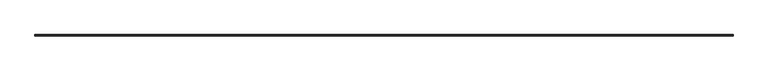
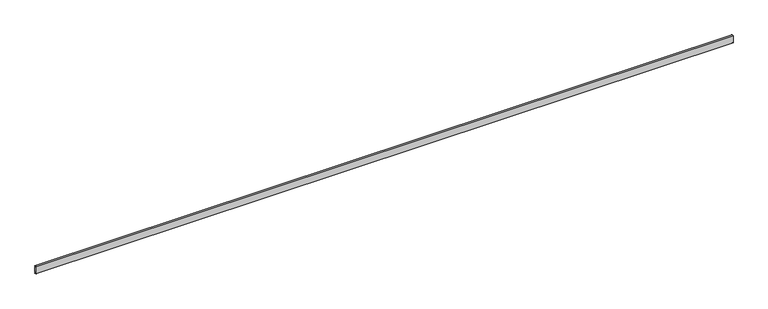
"""IFC4 building model written with IfcOpenShell, lengths in millimetres: railing geometry."""

from ifc_helpers import new_model, si_unit, point, frame, frame_2d, origin, place, context, project, spatial, polyline, circle_curve, trimmed, segment, composite_curve, outline, extrude, source, transform, mapped, element, save


def railing_19802378(model_context):
    return source(origin(), model_context, "Body", "SweptSolid", [
        extrude(outline(composite_curve([segment(polyline([(58288.1127441, 551.793805), (58278.5766023, 549.7), (58278.5766023, 530.7), (58287.102514, 526.8633397)]), True, "CONTINUOUS"), segment(trimmed(circle_curve(frame_2d((58286.0766023, 524.583536)), 2.5), [point((58287.102514, 526.8633397))], [point((58288.5766023, 524.583536))], False, "CARTESIAN"), True, "CONTINUOUS"), segment(polyline([(58288.5766023, 524.583536), (58288.5766023, 517.7)]), True, "CONTINUOUS"), segment(trimmed(circle_curve(frame_2d((58286.0766023, 517.7)), 2.5), [point((58288.5766023, 517.7))], [point((58286.0766023, 515.2))], False, "CARTESIAN"), True, "CONTINUOUS"), segment(polyline([(58286.0766023, 515.2), (58259.0766023, 515.2)]), True, "CONTINUOUS"), segment(trimmed(circle_curve(frame_2d((58259.0766023, 515.7)), 0.5), [point((58259.0766023, 515.2))], [point((58258.5766023, 515.7))], False, "CARTESIAN"), True, "CONTINUOUS"), segment(polyline([(58258.5766023, 515.7), (58258.5766023, 711.2), (58286.0766023, 711.2)]), True, "CONTINUOUS"), segment(trimmed(circle_curve(frame_2d((58286.0766023, 708.7)), 2.5), [point((58286.0766023, 711.2))], [point((58288.5766023, 708.7))], False, "CARTESIAN"), True, "CONTINUOUS"), segment(polyline([(58288.5766023, 708.7), (58288.5766023, 701.816464)]), True, "CONTINUOUS"), segment(trimmed(circle_curve(frame_2d((58286.0766023, 701.816464)), 2.5), [point((58288.5766023, 701.816464))], [point((58287.102514, 699.5366603))], False, "CARTESIAN"), True, "CONTINUOUS"), segment(polyline([(58287.102514, 699.5366603), (58278.5766023, 695.7), (58278.5766023, 676.7), (58288.1127441, 674.606195)]), True, "CONTINUOUS"), segment(trimmed(circle_curve(frame_2d((58287.5766023, 672.1643612)), 2.5), [point((58288.1127441, 674.606195))], [point((58290.0766023, 672.1643612))], False, "CARTESIAN"), True, "CONTINUOUS"), segment(polyline([(58290.0766023, 672.1643612), (58290.0766023, 664.7)]), True, "CONTINUOUS"), segment(trimmed(circle_curve(frame_2d((58289.5766023, 664.7)), 0.5), [point((58290.0766023, 664.7))], [point((58289.5766023, 664.2))], False, "CARTESIAN"), True, "CONTINUOUS"), segment(polyline([(58289.5766023, 664.2), (58288.0766023, 664.2)]), True, "CONTINUOUS"), segment(trimmed(circle_curve(frame_2d((58288.0766023, 663.7)), 0.5), [point((58288.0766023, 664.2))], [point((58287.5766023, 663.7))], True, "CARTESIAN"), True, "CONTINUOUS"), segment(polyline([(58287.5766023, 663.7), (58287.5766023, 562.7)]), True, "CONTINUOUS"), segment(trimmed(circle_curve(frame_2d((58288.0766023, 562.7)), 0.5), [point((58287.5766023, 562.7))], [point((58288.0766023, 562.2))], True, "CARTESIAN"), True, "CONTINUOUS"), segment(polyline([(58288.0766023, 562.2), (58289.5766023, 562.2)]), True, "CONTINUOUS"), segment(trimmed(circle_curve(frame_2d((58289.5766023, 561.7)), 0.5), [point((58289.5766023, 562.2))], [point((58290.0766023, 561.7))], False, "CARTESIAN"), True, "CONTINUOUS"), segment(polyline([(58290.0766023, 561.7), (58290.0766023, 554.2356388)]), True, "CONTINUOUS"), segment(trimmed(circle_curve(frame_2d((58287.5766023, 554.2356388)), 2.5), [point((58290.0766023, 554.2356388))], [point((58288.1127441, 551.793805))], False, "CARTESIAN"), True, "CONTINUOUS")], self_intersect=False)), frame((31170.4663719, 0.0, 0.0), z_axis=(1.0, 0.0, 0.0), x_axis=(0.0, 1.0, 0.0)), (0.0, 0.0, 1.0), 18288.0),
    ])


if __name__ == "__main__":
    model = new_model("IFC4")
    model_context = context("Model", 3, world=origin())
    ifc_project = project(units=[si_unit("LENGTHUNIT", "METRE", prefix="MILLI")], contexts=[model_context])
    site = spatial("IfcSite", under=ifc_project)
    building = spatial("IfcBuilding", under=site)
    placement = place(None, origin())
    railing_shape = railing_19802378(model_context)
    element("IfcRailing", 1, at=placement, inside=building, context=model_context, shape_type="MappedRepresentation", body=[
        mapped(railing_shape, transform((0.0, 0.0, 0.0), x_axis=(1.0, 0.0, 0.0), y_axis=(0.0, 1.0, 0.0), z_axis=(0.0, 0.0, 1.0))),
    ])
    save(model, "model.ifc")
